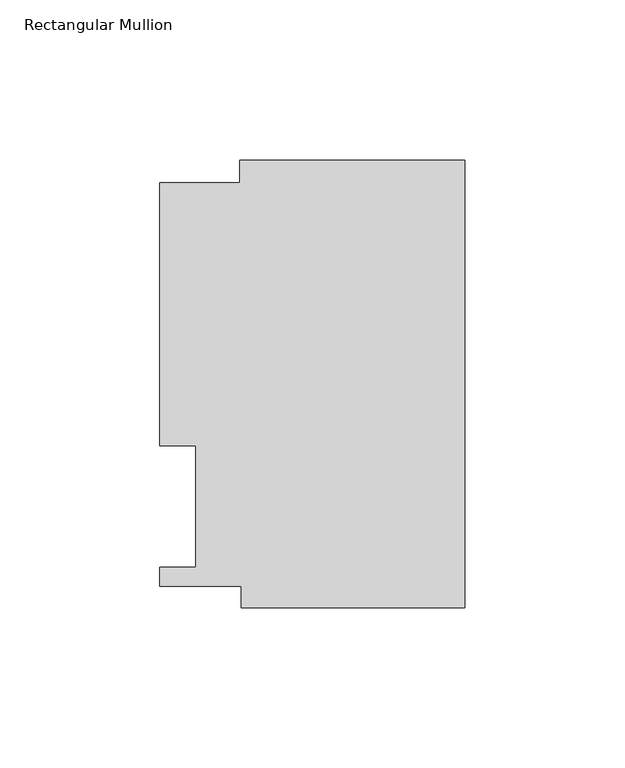
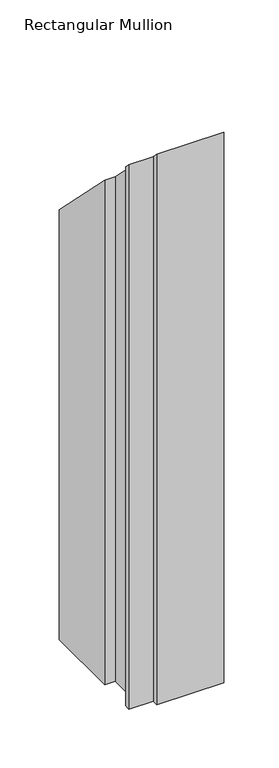
"""IFC4 building model written with IfcOpenShell, lengths in millimetres: member geometry, Rectangular Mullion."""

from ifc_helpers import new_model, si_unit, origin, place, context, project, spatial, faceted_brep, source, transform, mapped, element, save


def rectangular_mullion_33194410(model_context):
    return source(origin(), model_context, "Body", "Brep", [
        faceted_brep([(-70.3072, 133.731, -602.2875251), (0.0, 133.731, -602.2875251), (0.0, -6.2260979, -602.2875251), (-69.85, -6.2260979, -602.2875251), (-69.85, 0.4064, -602.2875251), (-95.25, 0.4064, -602.2875251), (-95.25, 6.35, -602.2875251), (-84.1375, 6.35, -602.2875251), (-84.1375, 44.45, -602.2875251), (-95.25, 44.45, -602.2875251), (-95.25, 126.619, -602.2875251), (-70.3072, 126.619, -602.2875251), (-70.3072, 126.619, -126.619), (-70.3072, 133.731, -133.731), (-95.25, 126.619, -126.619), (-95.25, 44.45, -44.45), (-84.1375, 44.45, -44.45), (-84.1375, 6.35, -6.35), (-95.25, 6.35, -6.35), (-95.25, 0.4064, -0.4064), (-69.85, 0.4064, -0.4064), (-69.85, -6.2260979, 6.2260979), (0.0, -6.2260979, 6.2260979), (0.0, 133.731, -133.731)], [[[0, 1, 2, 3, 4, 5, 6, 7, 8, 9, 10, 11]], [[12, 13, 0, 11]], [[14, 12, 11, 10]], [[15, 14, 10, 9]], [[16, 15, 9, 8]], [[17, 16, 8, 7]], [[18, 17, 7, 6]], [[19, 18, 6, 5]], [[20, 19, 5, 4]], [[21, 20, 4, 3]], [[22, 21, 3, 2]], [[23, 22, 2, 1]], [[13, 23, 1, 0]], [[13, 12, 14, 15, 16, 17, 18, 19, 20, 21, 22, 23]]]),
    ])


if __name__ == "__main__":
    model = new_model("IFC4")
    model_context = context("Model", 3, world=origin())
    ifc_project = project(units=[si_unit("LENGTHUNIT", "METRE", prefix="MILLI")], contexts=[model_context])
    site = spatial("IfcSite", under=ifc_project)
    building = spatial("IfcBuilding", under=site)
    placement = place(None, origin())
    rectangular_mullion_shape = rectangular_mullion_33194410(model_context)
    element("IfcMember", 1, ObjectType="Rectangular Mullion", at=placement, inside=building, context=model_context, shape_type="MappedRepresentation", body=[
        mapped(rectangular_mullion_shape, transform((0.0, 0.0, 0.0), x_axis=(1.0, 0.0, 0.0), y_axis=(0.0, 1.0, 0.0), z_axis=(0.0, 0.0, 1.0))),
    ])
    save(model, "model.ifc")
